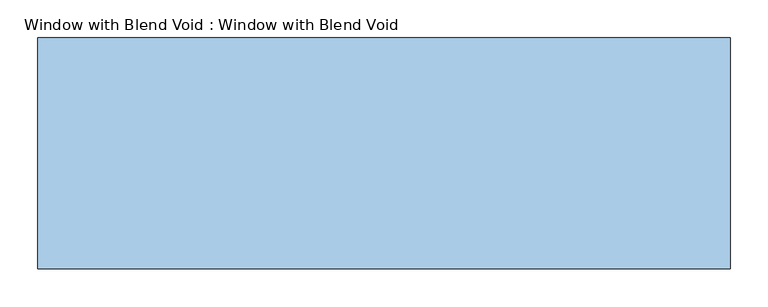
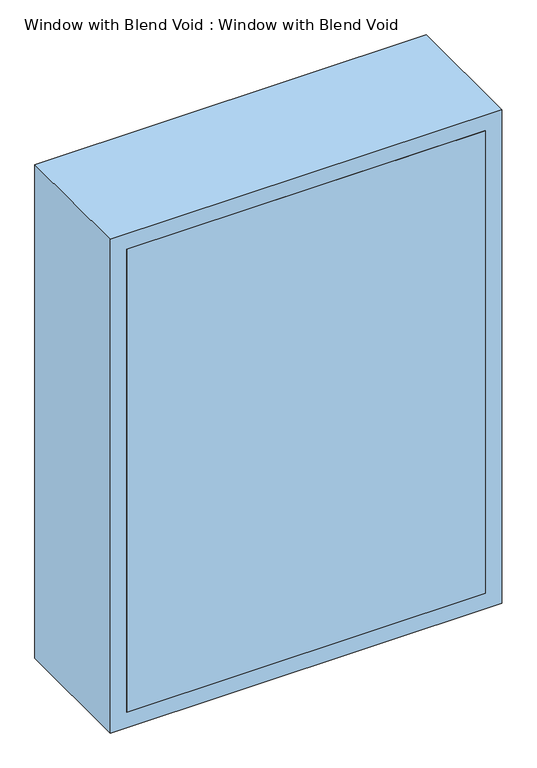
"""IFC4 building model written with IfcOpenShell, lengths in millimetres: window geometry, Window with Blend Void : Window with Blend Void."""

from ifc_helpers import new_model, si_unit, frame, origin, place, context, project, spatial, polyline, outline, extrude, source, transform, mapped, element, save


def window_with_blend_void_window_with_blend_void_a2c1a010(model_context):
    return source(origin(), model_context, "Body", "SweptSolid", [
        extrude(outline(polyline([(419.1, -304.8), (-419.1, -304.8), (-419.1, 0.0), (419.1, 0.0), (419.1, -304.8)])), frame((0.0, 0.0, 1257.3), z_axis=(0.0, 0.0, 1.0), x_axis=(1.0, 0.0, 0.0)), (0.0, 0.0, 1.0), 1143.0),
        extrude(outline(polyline([(2438.4, -457.2), (1219.2, -457.2), (1219.2, 457.2), (2438.4, 457.2), (2438.4, -457.2)]), holes=[polyline([(1257.3, -419.1), (2400.3, -419.1), (2400.3, 419.1), (1257.3, 419.1), (1257.3, -419.1)])]), frame((0.0, -304.8, 0.0), z_axis=(0.0, 1.0, 0.0), x_axis=(0.0, 0.0, 1.0)), (0.0, 0.0, 1.0), 304.8),
    ])


if __name__ == "__main__":
    model = new_model("IFC4")
    model_context = context("Model", 3, world=origin())
    ifc_project = project(units=[si_unit("LENGTHUNIT", "METRE", prefix="MILLI")], contexts=[model_context])
    site = spatial("IfcSite", under=ifc_project)
    building = spatial("IfcBuilding", under=site)
    placement = place(None, origin())
    window_with_blend_void_window_with_blend_void_shape = window_with_blend_void_window_with_blend_void_a2c1a010(model_context)
    element("IfcWindow", 1, ObjectType="Window with Blend Void : Window with Blend Void", at=placement, inside=building, context=model_context, shape_type="MappedRepresentation", body=[
        mapped(window_with_blend_void_window_with_blend_void_shape, transform((0.0, 0.0, 0.0), x_axis=(1.0, 0.0, 0.0), y_axis=(0.0, 1.0, 0.0), z_axis=(0.0, 0.0, 1.0))),
    ])
    save(model, "model.ifc")
